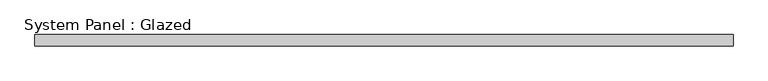
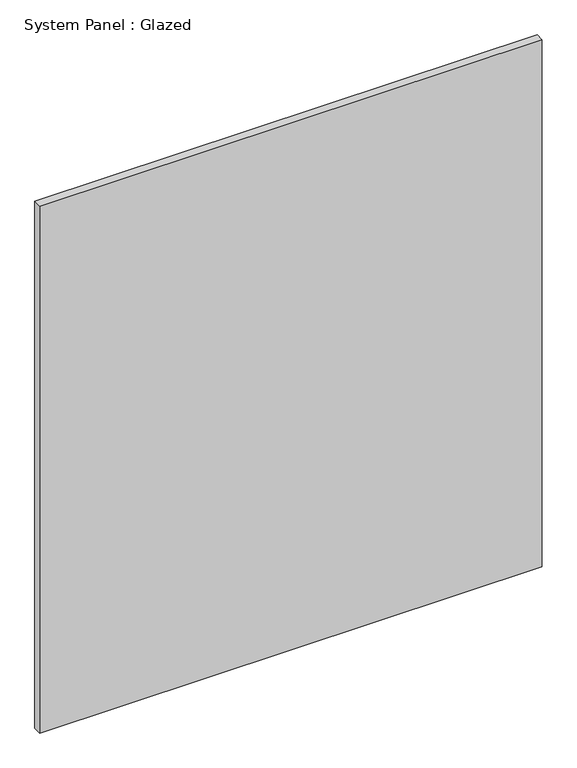
"""IFC4 building model written with IfcOpenShell, lengths in millimetres: plate geometry, System Panel : Glazed."""

import ifcopenshell
import ifcopenshell.guid

model = None  # the IFC model being written
_history = None  # IfcOwnerHistory: only IFC2X3 demands one
_inside = {}  # id of a spatial element -> (the spatial element, [elements in it])
_under = {}  # id of a project, library or spatial element -> (it, [spatial elements below it])
_declared = {}  # id of a project -> (the project, [libraries it declares])
_typed = {}  # id of a type object -> (the type object, [elements of that type])
_made_of = {}  # id of a material, layer set ... -> (it, [elements and type objects made of it])


def new_model(schema):
    """Start an empty IFC model of exactly this schema.

    Asked for "IFC4X3", IfcOpenShell would pick the latest addendum, in which some entities
    have other attributes; the version numbers below select the first issue.
    IFC2X3 requires an IfcOwnerHistory on every rooted entity: one is made here for all.
    """
    global model, _history
    if schema == "IFC4X3":
        model = ifcopenshell.file(schema_version=(4, 3, 0, 0))
    else:
        model = ifcopenshell.file(schema=schema)
    _inside.clear()
    _under.clear()
    _declared.clear()
    _typed.clear()
    _made_of.clear()
    _history = None
    if model.schema == "IFC2X3":
        org = make("IfcOrganization", Name="unknown")
        user = make(
            "IfcPersonAndOrganization",
            ThePerson=make("IfcPerson", FamilyName="unknown"),
            TheOrganization=org,
        )
        app = make(
            "IfcApplication",
            ApplicationDeveloper=org,
            Version="unknown",
            ApplicationFullName="unknown",
            ApplicationIdentifier="unknown",
        )
        _history = make(
            "IfcOwnerHistory",
            OwningUser=user,
            OwningApplication=app,
            ChangeAction="ADDED",
            CreationDate=0,
        )
    return model


def make(cls, **values):
    """One entity of the class cls with the attributes given. An attribute that is None is left unset."""
    return model.create_entity(
        cls, **{name: value for name, value in values.items() if value is not None}
    )


def rooted(cls, **values):
    """An entity with a GlobalId (a new one), such as an element, a storey or a relation."""
    return make(cls, GlobalId=ifcopenshell.guid.new(), OwnerHistory=_history, **values)


def si_unit(unit_type, name, prefix=None):
    """IfcSIUnit, for example si_unit("LENGTHUNIT", "METRE", prefix="MILLI")."""
    return make("IfcSIUnit", UnitType=unit_type, Prefix=prefix, Name=name)


def assignment(units):
    """IfcUnitAssignment: the units of a project."""
    return None if units is None else make("IfcUnitAssignment", Units=units)


def point(xyz):
    """IfcCartesianPoint."""
    return None if xyz is None else make("IfcCartesianPoint", Coordinates=xyz)


def direction(xyz):
    """IfcDirection."""
    return None if xyz is None else make("IfcDirection", DirectionRatios=xyz)


def frame(location, z_axis=None, x_axis=None):
    """IfcAxis2Placement3D, a coordinate frame: its origin and axes. An axis left out is left unset."""
    return make(
        "IfcAxis2Placement3D",
        Location=point(location),
        Axis=direction(z_axis),
        RefDirection=direction(x_axis),
    )


def origin():
    """The frame at (0, 0, 0) with its axes left unset."""
    return frame((0.0, 0.0, 0.0))


def origin_with_axes():
    """The frame at (0, 0, 0) with the z axis (0, 0, 1) and the x axis (1, 0, 0) written out."""
    return frame((0.0, 0.0, 0.0), z_axis=(0.0, 0.0, 1.0), x_axis=(1.0, 0.0, 0.0))


def place(relative_to, where):
    """IfcLocalPlacement: puts the frame where relative to a parent placement (None: the world)."""
    return make(
        "IfcLocalPlacement", PlacementRelTo=relative_to, RelativePlacement=where
    )


def context(
    kind, dimensions, precision=None, world=None, true_north=None, identifier=None
):
    """IfcGeometricRepresentationContext, for example the 3D "Model" context."""
    return make(
        "IfcGeometricRepresentationContext",
        ContextIdentifier=identifier,
        ContextType=kind,
        CoordinateSpaceDimension=dimensions,
        Precision=precision,
        WorldCoordinateSystem=world,
        TrueNorth=true_north,
    )


def project(units=None, contexts=None):
    """IfcProject with its units and contexts."""
    return rooted(
        "IfcProject",
        Name="project",
        RepresentationContexts=contexts,
        UnitsInContext=assignment(units),
    )


def spatial(cls, under=None, at=None, **own):
    """A site, building, storey or space (cls), placed at a placement, below another one or the project."""
    s = rooted(cls, ObjectPlacement=at, **own)
    if under is not None:
        _under.setdefault(under.id(), (under, []))[1].append(s)
    return s


def polyline(points):
    """IfcPolyline through the points."""
    return make("IfcPolyline", Points=[point(p) for p in points])


def outline(outer, holes=None, kind="AREA"):
    """IfcArbitraryClosedProfileDef: a profile drawn as a closed curve; with holes, ...WithVoids."""
    if holes is None:
        return make("IfcArbitraryClosedProfileDef", ProfileType=kind, OuterCurve=outer)
    return make(
        "IfcArbitraryProfileDefWithVoids",
        ProfileType=kind,
        OuterCurve=outer,
        InnerCurves=holes,
    )


def extrude(swept, where, along, depth):
    """IfcExtrudedAreaSolid: the profile swept, set in the frame where, extruded along a direction by depth."""
    return make(
        "IfcExtrudedAreaSolid",
        SweptArea=swept,
        Position=where,
        ExtrudedDirection=direction(along),
        Depth=depth,
    )


def shape(context_of_items, identifier, shape_type, items):
    """IfcShapeRepresentation: the items that make up one representation, for example the "Body"."""
    return make(
        "IfcShapeRepresentation",
        ContextOfItems=context_of_items,
        RepresentationIdentifier=identifier,
        RepresentationType=shape_type,
        Items=items,
    )


def source(mapping_origin, context_of_items, identifier, shape_type, items):
    """IfcRepresentationMap: a shape defined once, which mapped items show again and again."""
    return make(
        "IfcRepresentationMap",
        MappingOrigin=mapping_origin,
        MappedRepresentation=shape(context_of_items, identifier, shape_type, items),
    )


def transform(
    local_origin,
    x_axis=None,
    y_axis=None,
    z_axis=None,
    scale=None,
    scale2=None,
    scale3=None,
    uniform=True,
):
    """IfcCartesianTransformationOperator3D, or its non-uniform kind. x_axis, y_axis, z_axis: its Axis1, 2, 3."""
    if uniform:
        return make(
            "IfcCartesianTransformationOperator3D",
            Axis1=direction(x_axis),
            Axis2=direction(y_axis),
            LocalOrigin=point(local_origin),
            Scale=scale,
            Axis3=direction(z_axis),
        )
    return make(
        "IfcCartesianTransformationOperator3DnonUniform",
        Axis1=direction(x_axis),
        Axis2=direction(y_axis),
        LocalOrigin=point(local_origin),
        Scale=scale,
        Axis3=direction(z_axis),
        Scale2=scale2,
        Scale3=scale3,
    )


def mapped(mapping_source, mapping_target):
    """IfcMappedItem: shows the shape of a source again, moved by a transform."""
    return make(
        "IfcMappedItem", MappingSource=mapping_source, MappingTarget=mapping_target
    )


def made_of(thing, what):
    """Note that an element or type object is made of a material, layer set ...; save() writes the relation."""
    if what is not None:
        _made_of.setdefault(what.id(), (what, []))[1].append(thing)
    return thing


def element(
    cls,
    number,
    at=None,
    inside=None,
    cuts=None,
    type_object=None,
    material=None,
    context=None,
    identifier="Body",
    shape_type=None,
    held_by="IfcProductDefinitionShape",
    body=None,
    shapes=None,
    **own,
):
    """One element of the class cls, such as IfcWall. Its Tag is "e" and its number.

    at: its placement. inside: the storey or other place that contains it. cuts: it is an
    opening in that element (IfcRelVoidsElement). A single representation is given by context,
    identifier, shape_type and body (its items); several are given by shapes. held_by: the class
    of the entity that holds the representations. save() writes the other relations.
    """
    e = rooted(cls, Tag="e%d" % number, ObjectPlacement=at, **own)
    if body is not None:
        shapes = [shape(context, identifier, shape_type, body)]
    if shapes is not None:
        e.Representation = make(held_by, Representations=shapes)
    if inside is not None:
        _inside.setdefault(inside.id(), (inside, []))[1].append(e)
    if cuts is not None:
        rooted(
            "IfcRelVoidsElement", RelatingBuildingElement=cuts, RelatedOpeningElement=e
        )
    if type_object is not None:
        _typed.setdefault(type_object.id(), (type_object, []))[1].append(e)
    return made_of(e, material)


def aggregate(whole, parts):
    """IfcRelAggregates: a whole, such as a stair, and the parts it consists of."""
    return rooted("IfcRelAggregates", RelatingObject=whole, RelatedObjects=parts)


def save(model, path):
    """Write the relations noted so far, then the file.

    IfcRelAggregates (storeys below a building ...), IfcRelContainedInSpatialStructure (elements
    in a storey), IfcRelDefinesByType, IfcRelAssociatesMaterial and IfcRelDeclares: one each for
    every whole, place, type object, material and project.
    """
    for whole, parts in _under.values():
        aggregate(whole, parts)
    for where, things in _inside.values():
        rooted(
            "IfcRelContainedInSpatialStructure",
            RelatedElements=things,
            RelatingStructure=where,
        )
    for kind, things in _typed.values():
        rooted("IfcRelDefinesByType", RelatedObjects=things, RelatingType=kind)
    for what, things in _made_of.values():
        rooted("IfcRelAssociatesMaterial", RelatedObjects=things, RelatingMaterial=what)
    for by, libraries in _declared.values():
        rooted("IfcRelDeclares", RelatingContext=by, RelatedDefinitions=libraries)
    model.write(path)


def system_panel_glazed_e20386e1(model_context):
    return source(origin(), model_context, "Body", "SweptSolid", [
        extrude(outline(polyline([(769.0628487, 24.5), (-769.0628487, 24.5), (-769.0628487, 49.5), (769.0628487, 49.5), (769.0628487, 24.5)])), origin_with_axes(), (0.0, 0.0, 1.0), 1705.0),
    ])


if __name__ == "__main__":
    model = new_model("IFC4")
    model_context = context("Model", 3, world=origin())
    ifc_project = project(units=[si_unit("LENGTHUNIT", "METRE", prefix="MILLI")], contexts=[model_context])
    site = spatial("IfcSite", under=ifc_project)
    building = spatial("IfcBuilding", under=site)
    placement = place(None, origin())
    system_panel_glazed_shape = system_panel_glazed_e20386e1(model_context)
    element("IfcPlate", 1, ObjectType="System Panel : Glazed", at=placement, inside=building, context=model_context, shape_type="MappedRepresentation", body=[
        mapped(system_panel_glazed_shape, transform((0.0, 0.0, 0.0), x_axis=(1.0, 0.0, 0.0), y_axis=(0.0, 1.0, 0.0), z_axis=(0.0, 0.0, 1.0))),
    ])
    save(model, "model.ifc")
